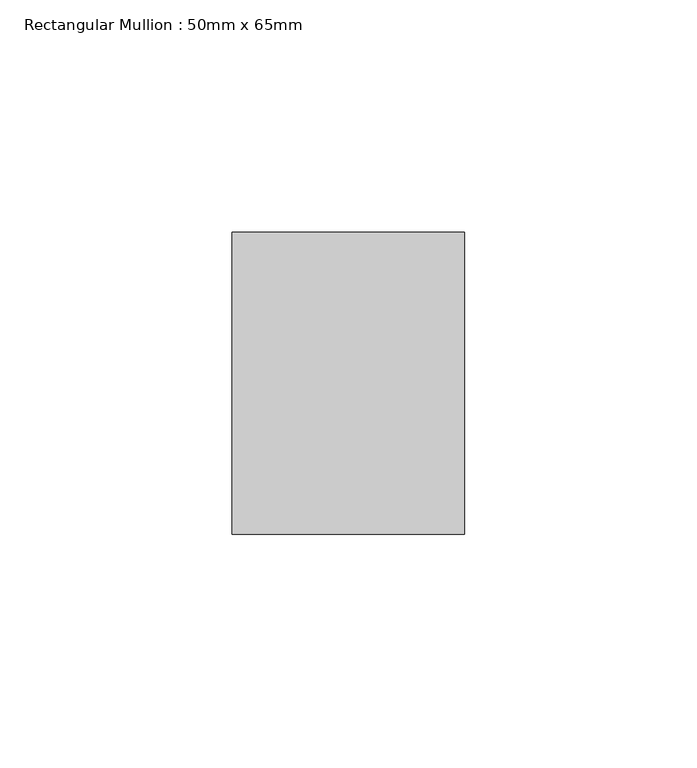
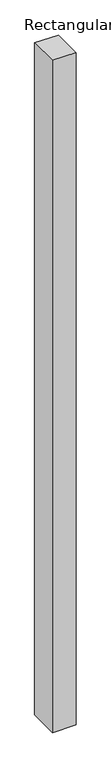
"""IFC4 building model written with IfcOpenShell, lengths in millimetres: member geometry, Rectangular Mullion : 50mm x 65mm."""

from ifc_helpers import new_model, si_unit, origin, place, context, project, spatial, faceted_brep, source, transform, mapped, element, save


def rectangular_mullion_50mm_x_65mm_fa3e723c(model_context):
    return source(origin(), model_context, "Body", "Brep", [
        faceted_brep([(-25.0, 32.5, -0.2027381), (25.0, 32.5, -0.202737), (25.0, 32.5, -1499.8924906), (-25.0, 32.5, -1499.8924899), (-25.0, -32.5, 0.202737), (-25.0, -32.5, -1500.1071499), (25.0, -32.5, 0.2027381), (25.0, -32.5, -1500.1071505)], [[[0, 1, 2, 3]], [[4, 0, 3, 5]], [[6, 4, 5, 7]], [[1, 6, 7, 2]], [[1, 0, 4, 6]], [[2, 7, 5, 3]]]),
    ])


if __name__ == "__main__":
    model = new_model("IFC4")
    model_context = context("Model", 3, world=origin())
    ifc_project = project(units=[si_unit("LENGTHUNIT", "METRE", prefix="MILLI")], contexts=[model_context])
    site = spatial("IfcSite", under=ifc_project)
    building = spatial("IfcBuilding", under=site)
    placement = place(None, origin())
    rectangular_mullion_50mm_x_65mm_shape = rectangular_mullion_50mm_x_65mm_fa3e723c(model_context)
    element("IfcMember", 1, ObjectType="Rectangular Mullion : 50mm x 65mm", at=placement, inside=building, context=model_context, shape_type="MappedRepresentation", body=[
        mapped(rectangular_mullion_50mm_x_65mm_shape, transform((0.0, 0.0, 0.0), x_axis=(1.0, 0.0, 0.0), y_axis=(0.0, 1.0, 0.0), z_axis=(0.0, 0.0, 1.0))),
    ])
    save(model, "model.ifc")
